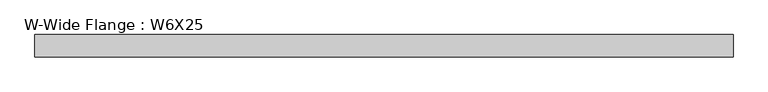
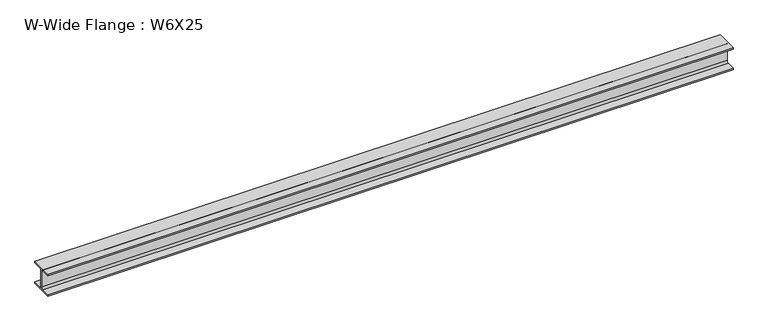
"""IFC4 building model written with IfcOpenShell, lengths in millimetres: beam geometry, W-Wide Flange : W6X25."""

from ifc_helpers import new_model, si_unit, point, frame, frame_2d, origin, place, context, project, spatial, polyline, circle_curve, trimmed, segment, composite_curve, outline, extrude, source, transform, mapped, element, save


def w_wide_flange_w6x25_dd0610fa(model_context):
    return source(origin(), model_context, "Body", "SweptSolid", [
        extrude(outline(composite_curve([segment(polyline([(77.1921875, -69.5027344), (77.1921875, -81.0121094), (-77.1921875, -81.0121094), (-77.1921875, -69.5027344), (-16.3710938, -69.5027344)]), True, "CONTINUOUS"), segment(trimmed(circle_curve(frame_2d((-16.3710938, -57.1996094)), 12.303125), [point((-16.3710938, -69.5027344))], [point((-4.0679688, -57.1996094))], True, "CARTESIAN"), True, "CONTINUOUS"), segment(polyline([(-4.0679688, -57.1996094), (-4.0679688, 57.1996094)]), True, "CONTINUOUS"), segment(trimmed(circle_curve(frame_2d((-16.3710938, 57.1996094)), 12.303125), [point((-4.0679688, 57.1996094))], [point((-16.3710938, 69.5027344))], True, "CARTESIAN"), True, "CONTINUOUS"), segment(polyline([(-16.3710938, 69.5027344), (-77.1921875, 69.5027344), (-77.1921875, 81.0121094), (77.1921875, 81.0121094), (77.1921875, 69.5027344), (16.3710937, 69.5027344)]), True, "CONTINUOUS"), segment(trimmed(circle_curve(frame_2d((16.3710937, 57.1996094)), 12.303125), [point((16.3710937, 69.5027344))], [point((4.0679687, 57.1996094))], True, "CARTESIAN"), True, "CONTINUOUS"), segment(polyline([(4.0679687, 57.1996094), (4.0679687, -57.1996094)]), True, "CONTINUOUS"), segment(trimmed(circle_curve(frame_2d((16.3710937, -57.1996094)), 12.303125), [point((4.0679687, -57.1996094))], [point((16.3710937, -69.5027344))], True, "CARTESIAN"), True, "CONTINUOUS"), segment(polyline([(16.3710937, -69.5027344), (77.1921875, -69.5027344)]), True, "CONTINUOUS")], self_intersect=False)), frame((-2383.9722324, 0.0, 0.0), z_axis=(1.0, 0.0, 0.0), x_axis=(0.0, 1.0, 0.0)), (0.0, 0.0, 1.0), 4774.4292294),
    ])


if __name__ == "__main__":
    model = new_model("IFC4")
    model_context = context("Model", 3, world=origin())
    ifc_project = project(units=[si_unit("LENGTHUNIT", "METRE", prefix="MILLI")], contexts=[model_context])
    site = spatial("IfcSite", under=ifc_project)
    building = spatial("IfcBuilding", under=site)
    placement = place(None, origin())
    w_wide_flange_w6x25_shape = w_wide_flange_w6x25_dd0610fa(model_context)
    element("IfcBeam", 1, ObjectType="W-Wide Flange : W6X25", at=placement, inside=building, context=model_context, shape_type="MappedRepresentation", body=[
        mapped(w_wide_flange_w6x25_shape, transform((0.0, 0.0, 0.0), x_axis=(1.0, 0.0, 0.0), y_axis=(0.0, 1.0, 0.0), z_axis=(0.0, 0.0, 1.0))),
    ])
    save(model, "model.ifc")
